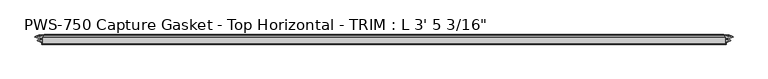
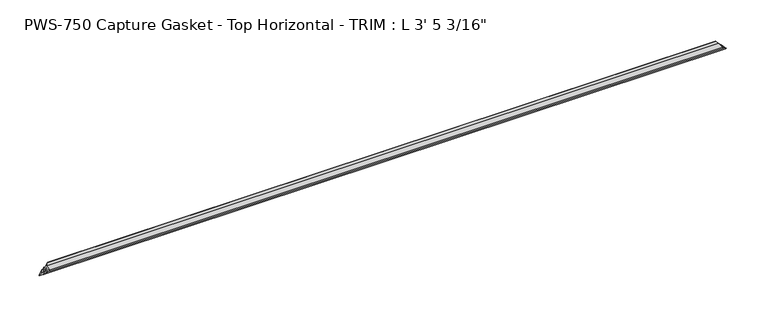
"""IFC4 building model written with IfcOpenShell, lengths in millimetres: proxy geometry."""

from ifc_helpers import new_model, si_unit, origin, place, context, project, spatial, faceted_brep, source, transform, mapped, element, save


def proxy_0bb849fc(model_context):
    return source(origin(), model_context, "Body", "Brep", [
        faceted_brep([(1035.5813313, 3.1126161, 10.5811687), (10.5811687, 3.1126161, 10.5811687), (10.0325598, 3.8999328, 10.0325598), (1036.1299402, 3.8999328, 10.0325598), (6.917311, 4.2700002, 6.917311), (1039.245189, 4.2700002, 6.917311), (8.2166266, 3.1803976, 8.2166266), (1037.9458734, 3.1803976, 8.2166266), (4.271917, 4.5858484, 4.271917), (1041.890583, 4.5858484, 4.271917), (3.6825598, 5.3411219, 3.6825598), (1042.4799402, 5.3411219, 3.6825598), (4.3087184, 6.061435, 4.3087184), (1041.8537816, 6.061435, 4.3087184), (8.2166266, 7.4537739, 8.2166266), (1037.9458734, 7.4537739, 8.2166266), (6.917311, 6.3641713, 6.917311), (1039.245189, 6.3641713, 6.917311), (10.0325598, 6.7342387, 10.0325598), (1036.1299402, 6.7342387, 10.0325598), (10.0325598, 9.5788982, 10.0325598), (1036.1299402, 9.5788982, 10.0325598), (4.445663, 9.5788982, 4.445663), (1041.716837, 9.5788982, 4.445663), (0.0, 10.6566114, 0.0631583), (1046.1625, 10.6566114, 0.0631583), (0.3097145, 11.6592287, 0.3097145), (1045.8527855, 11.6592287, 0.3097145), (5.4117726, 14.0291241, 5.4117726), (1040.7507274, 14.0291241, 5.4117726), (3.3557311, 11.9730826, 3.3557311), (1042.8067689, 11.9730826, 3.3557311), (5.5225062, 11.9730826, 5.5225062), (1040.6399938, 11.9730826, 5.5225062), (8.4924715, 14.0291241, 8.4924715), (1037.6700285, 14.0291241, 8.4924715), (6.649436, 11.7844518, 6.649436), (1039.513064, 11.7844518, 6.649436), (9.7544194, 12.0846322, 9.7544194), (1036.4080806, 12.0846322, 9.7544194), (13.9901764, 14.4184849, 13.9901764), (1032.1723236, 14.4184849, 13.9901764), (14.3553266, 13.6397632, 14.3553266), (1031.8071734, 13.6397632, 14.3553266), (11.8032491, 11.0876857, 11.8032491), (1034.3592509, 11.0876857, 11.8032491), (11.4576697, 1.3581987, 11.4576697), (1034.7048303, 1.3581987, 11.4576697), (10.099471, 0.0, 10.099471), (1036.063029, 0.0, 10.099471), (10.099471, 1.1075685, 10.099471), (1036.063029, 1.1075685, 10.099471)], [[[0, 1, 2, 3]], [[3, 2, 4, 5]], [[5, 4, 6, 7]], [[7, 6, 8, 9]], [[9, 8, 10, 11]], [[11, 10, 12, 13]], [[13, 12, 14, 15]], [[15, 14, 16, 17]], [[17, 16, 18, 19]], [[19, 18, 20, 21]], [[21, 20, 22, 23]], [[24, 25, 23, 22]], [[25, 24, 26, 27]], [[27, 26, 28, 29]], [[29, 28, 30, 31]], [[31, 30, 32, 33]], [[33, 32, 34, 35]], [[35, 34, 36, 37]], [[37, 36, 38, 39]], [[39, 38, 40, 41]], [[41, 40, 42, 43]], [[43, 42, 44, 45]], [[45, 44, 46, 47]], [[47, 46, 48, 49]], [[49, 48, 50, 51]], [[1, 0, 51, 50]], [[2, 1, 50, 48, 46, 44, 42, 40, 38, 36, 34, 32, 30, 28, 26, 24, 22, 20, 18, 16, 14, 12, 10, 8, 6, 4]], [[0, 3, 5, 7, 9, 11, 13, 15, 17, 19, 21, 23, 25, 27, 29, 31, 33, 35, 37, 39, 41, 43, 45, 47, 49, 51]]]),
    ])


if __name__ == "__main__":
    model = new_model("IFC4")
    model_context = context("Model", 3, world=origin())
    ifc_project = project(units=[si_unit("LENGTHUNIT", "METRE", prefix="MILLI")], contexts=[model_context])
    site = spatial("IfcSite", under=ifc_project)
    building = spatial("IfcBuilding", under=site)
    placement = place(None, origin())
    proxy_shape = proxy_0bb849fc(model_context)
    element("IfcBuildingElementProxy", 1, Name="PWS-750 Capture Gasket - Top Horizontal - TRIM : L 3' 5 3/16\"", ObjectType="PWS-750 Capture Gasket - Top Horizontal - TRIM : L 3' 5 3/16\"", at=placement, inside=building, context=model_context, shape_type="MappedRepresentation", body=[
        mapped(proxy_shape, transform((0.0, 0.0, 0.0), x_axis=(1.0, 0.0, 0.0), y_axis=(0.0, 1.0, 0.0), z_axis=(0.0, 0.0, 1.0))),
    ])
    save(model, "model.ifc")
